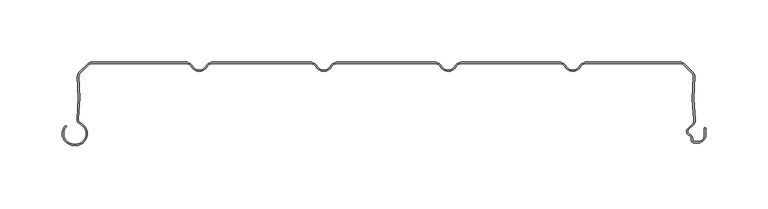
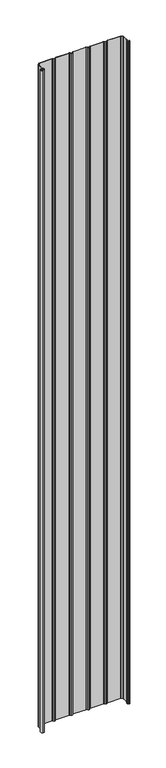
"""IFC4 building model written with IfcOpenShell, lengths in millimetres: plate geometry."""

from ifc_helpers import new_model, si_unit, point, frame_2d, origin, origin_with_axes, place, context, project, spatial, polyline, circle_curve, trimmed, segment, composite_curve, outline, extrude, source, transform, mapped, element, save


def plate_e081c18a(model_context):
    return source(origin(), model_context, "Body", "SweptSolid", [
        extrude(outline(composite_curve([segment(polyline([(-250.5602536, -66.1554676), (-249.3062536, -66.1554676)]), True, "CONTINUOUS"), segment(trimmed(circle_curve(frame_2d((-249.3062536, -57.6554676)), 8.5), [point((-249.3062536, -66.1554676))], [point((-245.7922983, -49.9158218))], True, "CARTESIAN"), True, "CONTINUOUS"), segment(trimmed(circle_curve(frame_2d((-244.0973316, -46.1825808)), 4.1), [point((-245.7922983, -49.9158218))], [point((-248.1663398, -45.6794186))], False, "CARTESIAN"), True, "CONTINUOUS"), segment(trimmed(circle_curve(frame_2d((-397.0324935, -27.2710429)), 150.0), [point((-248.1663398, -45.6794186))], [point((-247.82984, -11.8253904))], True, "CARTESIAN"), True, "CONTINUOUS"), segment(trimmed(circle_curve(frame_2d((-243.7516341, -11.4032093)), 4.1), [point((-247.82984, -11.8253904))], [point((-246.6507719, -8.5040715))], False, "CARTESIAN"), True, "CONTINUOUS"), segment(polyline([(-246.6507719, -8.5040715), (-239.3475626, -1.2008622)]), True, "CONTINUOUS"), segment(trimmed(circle_curve(frame_2d((-236.4484248, -4.1)), 4.1), [point((-239.3475626, -1.2008622))], [point((-236.4484248, 0.0))], False, "CARTESIAN"), True, "CONTINUOUS"), segment(polyline([(-236.4484248, 0.0), (-161.2583302, 0.0)]), True, "CONTINUOUS"), segment(trimmed(circle_curve(frame_2d((-161.2583302, -7.0)), 7.0), [point((-161.2583302, 0.0))], [point((-155.1961524, -3.5))], False, "CARTESIAN"), True, "CONTINUOUS"), segment(trimmed(circle_curve(frame_2d((-150.0, -0.5)), 6.0), [point((-155.1961524, -3.5))], [point((-150.0, -6.5))], True, "CARTESIAN"), True, "CONTINUOUS"), segment(trimmed(circle_curve(frame_2d((-150.0, -0.5)), 6.0), [point((-150.0, -6.5))], [point((-144.8038476, -3.5))], True, "CARTESIAN"), True, "CONTINUOUS"), segment(trimmed(circle_curve(frame_2d((-138.7416698, -7.0)), 7.0), [point((-144.8038476, -3.5))], [point((-138.7416698, 0.0))], False, "CARTESIAN"), True, "CONTINUOUS"), segment(polyline([(-138.7416698, 0.0), (-61.2583302, 0.0)]), True, "CONTINUOUS"), segment(trimmed(circle_curve(frame_2d((-61.2583302, -7.0)), 7.0), [point((-61.2583302, 0.0))], [point((-55.1961524, -3.5))], False, "CARTESIAN"), True, "CONTINUOUS"), segment(trimmed(circle_curve(frame_2d((-50.0, -0.5)), 6.0), [point((-55.1961524, -3.5))], [point((-50.0, -6.5))], True, "CARTESIAN"), True, "CONTINUOUS"), segment(trimmed(circle_curve(frame_2d((-50.0, -0.5)), 6.0), [point((-50.0, -6.5))], [point((-44.8038476, -3.5))], True, "CARTESIAN"), True, "CONTINUOUS"), segment(trimmed(circle_curve(frame_2d((-38.7416698, -7.0)), 7.0), [point((-44.8038476, -3.5))], [point((-38.7416698, 0.0))], False, "CARTESIAN"), True, "CONTINUOUS"), segment(polyline([(-38.7416698, 0.0), (38.7416698, 0.0)]), True, "CONTINUOUS"), segment(trimmed(circle_curve(frame_2d((38.7416698, -7.0)), 7.0), [point((38.7416698, 0.0))], [point((44.8038476, -3.5))], False, "CARTESIAN"), True, "CONTINUOUS"), segment(trimmed(circle_curve(frame_2d((50.0, -0.5)), 6.0), [point((44.8038476, -3.5))], [point((50.0, -6.5))], True, "CARTESIAN"), True, "CONTINUOUS"), segment(trimmed(circle_curve(frame_2d((50.0, -0.5)), 6.0), [point((50.0, -6.5))], [point((55.1961524, -3.5))], True, "CARTESIAN"), True, "CONTINUOUS"), segment(trimmed(circle_curve(frame_2d((61.2583302, -7.0)), 7.0), [point((55.1961524, -3.5))], [point((61.2583302, 0.0))], False, "CARTESIAN"), True, "CONTINUOUS"), segment(polyline([(61.2583302, 0.0), (138.7416698, 0.0)]), True, "CONTINUOUS"), segment(trimmed(circle_curve(frame_2d((138.7416698, -7.0)), 7.0), [point((138.7416698, 0.0))], [point((144.8038476, -3.5))], False, "CARTESIAN"), True, "CONTINUOUS"), segment(trimmed(circle_curve(frame_2d((150.0, -0.5)), 6.0), [point((144.8038476, -3.5))], [point((150.0, -6.5))], True, "CARTESIAN"), True, "CONTINUOUS"), segment(trimmed(circle_curve(frame_2d((150.0, -0.5)), 6.0), [point((150.0, -6.5))], [point((155.1961524, -3.5))], True, "CARTESIAN"), True, "CONTINUOUS"), segment(trimmed(circle_curve(frame_2d((161.2583302, -7.0)), 7.0), [point((155.1961524, -3.5))], [point((161.2583302, 0.0))], False, "CARTESIAN"), True, "CONTINUOUS"), segment(polyline([(161.2583302, 0.0), (236.4484248, 0.0)]), True, "CONTINUOUS"), segment(trimmed(circle_curve(frame_2d((236.4484248, -4.1)), 4.1), [point((236.4484248, 0.0))], [point((239.3475626, -1.2008622))], False, "CARTESIAN"), True, "CONTINUOUS"), segment(polyline([(239.3475626, -1.2008622), (246.6502639, -8.5035635)]), True, "CONTINUOUS"), segment(trimmed(circle_curve(frame_2d((243.7511261, -11.4027013)), 4.1), [point((246.6502639, -8.5035635))], [point((247.8293418, -11.8247881))], False, "CARTESIAN"), True, "CONTINUOUS"), segment(trimmed(circle_curve(frame_2d((397.0323525, -27.2669893)), 150.0), [point((247.8293418, -11.8247881))], [point((248.2850442, -46.6122279))], True, "CARTESIAN"), True, "CONTINUOUS"), segment(trimmed(circle_curve(frame_2d((243.9914801, -47.1706247)), 4.3297228), [point((248.2850442, -46.6122279))], [point((246.9270442, -50.3532279))], False, "CARTESIAN"), True, "CONTINUOUS"), segment(polyline([(246.9270442, -50.3532279), (242.8931689, -54.3871033)]), True, "CONTINUOUS"), segment(trimmed(circle_curve(frame_2d((244.4488038, -55.9427382)), 2.2), [point((242.8931689, -54.3871033))], [point((243.6238712, -57.98222))], True, "CARTESIAN"), True, "CONTINUOUS"), segment(trimmed(circle_curve(frame_2d((242.049, -61.8757763)), 4.2), [point((243.6238712, -57.98222))], [point((246.249, -61.8757763))], False, "CARTESIAN"), True, "CONTINUOUS"), segment(polyline([(246.249, -61.8757763), (246.249, -63.0)]), True, "CONTINUOUS"), segment(trimmed(circle_curve(frame_2d((247.249, -63.0)), 1.0), [point((246.249, -63.0))], [point((247.249, -64.0))], True, "CARTESIAN"), True, "CONTINUOUS"), segment(polyline([(247.249, -64.0), (250.55, -64.0)]), True, "CONTINUOUS"), segment(trimmed(circle_curve(frame_2d((250.55, -58.8)), 5.2), [point((250.55, -64.0))], [point((255.75, -58.8))], True, "CARTESIAN"), True, "CONTINUOUS"), segment(polyline([(255.75, -58.8), (255.75, -53.169), (256.75, -53.169), (256.75, -58.8)]), True, "CONTINUOUS"), segment(trimmed(circle_curve(frame_2d((250.55, -58.8)), 6.2), [point((256.75, -58.8))], [point((250.55, -65.0))], False, "CARTESIAN"), True, "CONTINUOUS"), segment(polyline([(250.55, -65.0), (247.249, -65.0)]), True, "CONTINUOUS"), segment(trimmed(circle_curve(frame_2d((247.249, -63.0)), 2.0), [point((247.249, -65.0))], [point((245.249, -63.0))], False, "CARTESIAN"), True, "CONTINUOUS"), segment(polyline([(245.249, -63.0), (245.249, -61.8757763)]), True, "CONTINUOUS"), segment(trimmed(circle_curve(frame_2d((242.049, -61.8757763)), 3.2), [point((245.249, -61.8757763))], [point((243.2489019, -58.9092572))], True, "CARTESIAN"), True, "CONTINUOUS"), segment(trimmed(circle_curve(frame_2d((244.4488038, -55.9427382)), 3.2), [point((243.2489019, -58.9092572))], [point((242.1860621, -53.6799965))], False, "CARTESIAN"), True, "CONTINUOUS"), segment(polyline([(242.1860621, -53.6799965), (246.2351433, -49.6309152)]), True, "CONTINUOUS"), segment(trimmed(circle_curve(frame_2d((243.9914801, -47.1706247)), 3.3297228), [point((246.2351433, -49.6309152))], [point((247.2933955, -46.7411962))], True, "CARTESIAN"), True, "CONTINUOUS"), segment(trimmed(circle_curve(frame_2d((397.0323525, -27.2669893)), 151.0), [point((247.2933955, -46.7411962))], [point((246.834655, -11.7218401))], False, "CARTESIAN"), True, "CONTINUOUS"), segment(trimmed(circle_curve(frame_2d((243.7511261, -11.4027013)), 3.1), [point((246.834655, -11.7218401))], [point((245.9431572, -9.2106703))], True, "CARTESIAN"), True, "CONTINUOUS"), segment(polyline([(245.9431572, -9.2106703), (238.6404559, -1.907969)]), True, "CONTINUOUS"), segment(trimmed(circle_curve(frame_2d((236.4484248, -4.1)), 3.1), [point((238.6404559, -1.907969))], [point((236.4484248, -1.0))], True, "CARTESIAN"), True, "CONTINUOUS"), segment(polyline([(236.4484248, -1.0), (161.2583302, -1.0)]), True, "CONTINUOUS"), segment(trimmed(circle_curve(frame_2d((161.2583302, -7.0)), 6.0), [point((161.2583302, -1.0))], [point((156.0621778, -4.0))], True, "CARTESIAN"), True, "CONTINUOUS"), segment(trimmed(circle_curve(frame_2d((150.0, -0.5)), 7.0), [point((156.0621778, -4.0))], [point((150.0, -7.5))], False, "CARTESIAN"), True, "CONTINUOUS"), segment(trimmed(circle_curve(frame_2d((150.0, -0.5)), 7.0), [point((150.0, -7.5))], [point((143.9378222, -4.0))], False, "CARTESIAN"), True, "CONTINUOUS"), segment(trimmed(circle_curve(frame_2d((138.7416698, -7.0)), 6.0), [point((143.9378222, -4.0))], [point((138.7416698, -1.0))], True, "CARTESIAN"), True, "CONTINUOUS"), segment(polyline([(138.7416698, -1.0), (61.2583302, -1.0)]), True, "CONTINUOUS"), segment(trimmed(circle_curve(frame_2d((61.2583302, -7.0)), 6.0), [point((61.2583302, -1.0))], [point((56.0621778, -4.0))], True, "CARTESIAN"), True, "CONTINUOUS"), segment(trimmed(circle_curve(frame_2d((50.0, -0.5)), 7.0), [point((56.0621778, -4.0))], [point((50.0, -7.5))], False, "CARTESIAN"), True, "CONTINUOUS"), segment(trimmed(circle_curve(frame_2d((50.0, -0.5)), 7.0), [point((50.0, -7.5))], [point((43.9378222, -4.0))], False, "CARTESIAN"), True, "CONTINUOUS"), segment(trimmed(circle_curve(frame_2d((38.7416698, -7.0)), 6.0), [point((43.9378222, -4.0))], [point((38.7416698, -1.0))], True, "CARTESIAN"), True, "CONTINUOUS"), segment(polyline([(38.7416698, -1.0), (-38.7416698, -1.0)]), True, "CONTINUOUS"), segment(trimmed(circle_curve(frame_2d((-38.7416698, -7.0)), 6.0), [point((-38.7416698, -1.0))], [point((-43.9378222, -4.0))], True, "CARTESIAN"), True, "CONTINUOUS"), segment(trimmed(circle_curve(frame_2d((-50.0, -0.5)), 7.0), [point((-43.9378222, -4.0))], [point((-50.0, -7.5))], False, "CARTESIAN"), True, "CONTINUOUS"), segment(trimmed(circle_curve(frame_2d((-50.0, -0.5)), 7.0), [point((-50.0, -7.5))], [point((-56.0621778, -4.0))], False, "CARTESIAN"), True, "CONTINUOUS"), segment(trimmed(circle_curve(frame_2d((-61.2583302, -7.0)), 6.0), [point((-56.0621778, -4.0))], [point((-61.2583302, -1.0))], True, "CARTESIAN"), True, "CONTINUOUS"), segment(polyline([(-61.2583302, -1.0), (-138.7416698, -1.0)]), True, "CONTINUOUS"), segment(trimmed(circle_curve(frame_2d((-138.7416698, -7.0)), 6.0), [point((-138.7416698, -1.0))], [point((-143.9378222, -4.0))], True, "CARTESIAN"), True, "CONTINUOUS"), segment(trimmed(circle_curve(frame_2d((-150.0, -0.5)), 7.0), [point((-143.9378222, -4.0))], [point((-150.0, -7.5))], False, "CARTESIAN"), True, "CONTINUOUS"), segment(trimmed(circle_curve(frame_2d((-150.0, -0.5)), 7.0), [point((-150.0, -7.5))], [point((-156.0621778, -4.0))], False, "CARTESIAN"), True, "CONTINUOUS"), segment(trimmed(circle_curve(frame_2d((-161.2583302, -7.0)), 6.0), [point((-156.0621778, -4.0))], [point((-161.2583302, -1.0))], True, "CARTESIAN"), True, "CONTINUOUS"), segment(polyline([(-161.2583302, -1.0), (-236.4484248, -1.0)]), True, "CONTINUOUS"), segment(trimmed(circle_curve(frame_2d((-236.4484248, -4.1)), 3.1), [point((-236.4484248, -1.0))], [point((-238.6404559, -1.907969))], True, "CARTESIAN"), True, "CONTINUOUS"), segment(polyline([(-238.6404559, -1.907969), (-245.9436651, -9.2111782)]), True, "CONTINUOUS"), segment(trimmed(circle_curve(frame_2d((-243.7516341, -11.4032093)), 3.1), [point((-245.9436651, -9.2111782))], [point((-246.8351556, -11.7224194))], True, "CARTESIAN"), True, "CONTINUOUS"), segment(trimmed(circle_curve(frame_2d((-397.0324935, -27.2710429)), 151.0), [point((-246.8351556, -11.7224194))], [point((-247.1738988, -45.8021411))], False, "CARTESIAN"), True, "CONTINUOUS"), segment(trimmed(circle_curve(frame_2d((-244.0973316, -46.1825808)), 3.1), [point((-247.1738988, -45.8021411))], [point((-245.3788918, -49.0052752))], True, "CARTESIAN"), True, "CONTINUOUS"), segment(trimmed(circle_curve(frame_2d((-249.3062536, -57.6554676)), 9.5), [point((-245.3788918, -49.0052752))], [point((-249.3062536, -67.1554676))], False, "CARTESIAN"), True, "CONTINUOUS"), segment(polyline([(-249.3062536, -67.1554676), (-250.5602536, -67.1554676)]), True, "CONTINUOUS"), segment(trimmed(circle_curve(frame_2d((-250.5602536, -57.6554676)), 9.5), [point((-250.5602536, -67.1554676))], [point((-257.277768, -50.9379532))], False, "CARTESIAN"), True, "CONTINUOUS"), segment(polyline([(-257.277768, -50.9379532), (-256.5706612, -51.64506)]), True, "CONTINUOUS"), segment(trimmed(circle_curve(frame_2d((-250.5602536, -57.6554676)), 8.5), [point((-256.5706612, -51.64506))], [point((-250.5602536, -66.1554676))], True, "CARTESIAN"), True, "CONTINUOUS")], self_intersect=False)), origin_with_axes(), (0.0, 0.0, 1.0), 4061.7064475),
    ])


if __name__ == "__main__":
    model = new_model("IFC4")
    model_context = context("Model", 3, world=origin())
    ifc_project = project(units=[si_unit("LENGTHUNIT", "METRE", prefix="MILLI")], contexts=[model_context])
    site = spatial("IfcSite", under=ifc_project)
    building = spatial("IfcBuilding", under=site)
    placement = place(None, origin())
    plate_shape = plate_e081c18a(model_context)
    element("IfcPlate", 1, at=placement, inside=building, context=model_context, shape_type="MappedRepresentation", body=[
        mapped(plate_shape, transform((0.0, 0.0, 0.0), x_axis=(1.0, 0.0, 0.0), y_axis=(0.0, 1.0, 0.0), z_axis=(0.0, 0.0, 1.0))),
    ])
    save(model, "model.ifc")
